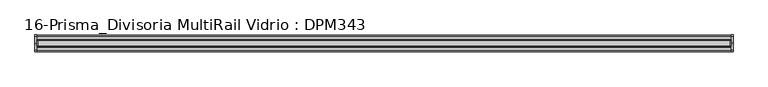
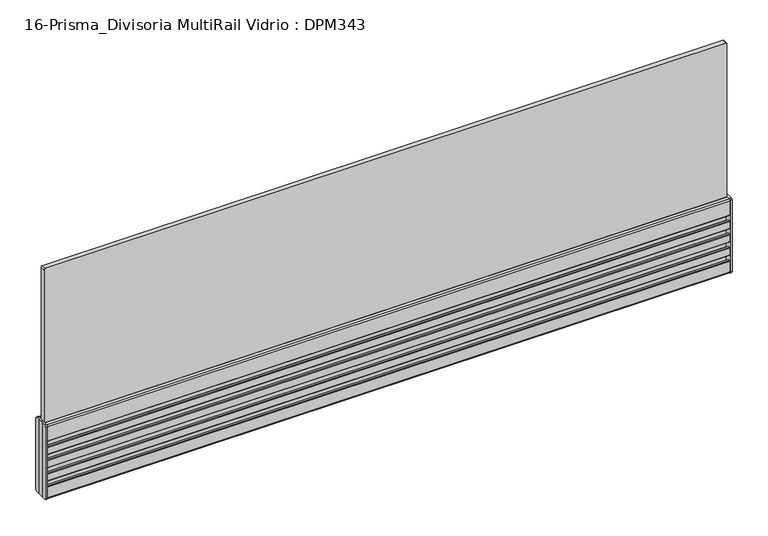
"""IFC4 building model written with IfcOpenShell, lengths in millimetres: furniture geometry, 16-Prisma_Divisoria MultiRail Vidrio : DPM343."""

from ifc_helpers import new_model, si_unit, point, frame, frame_2d, origin, place, context, project, spatial, polyline, circle_curve, trimmed, segment, composite_curve, outline, extrude, source, transform, mapped, element, save
from ifc_brep_helpers import plane_surface, cylinder_surface, revolved_surface, advanced_brep


def furniture_16_prisma_divisoria_multirail_vidrio_dpm343_2ce1b810(model_context):
    return source(origin(), model_context, "Body", "SolidModel", [
        advanced_brep(
        [(-547.5, -11.25, 125.5), (-547.5, -13.25, 123.5), (-547.5, -13.25, 2.0), (-547.5, -11.25, 0.0), (-547.5, 0.0, 0.0), (-547.5, 11.25, 0.0), (-547.5, 13.25, 2.0), (-547.5, 13.25, 123.5), (-547.5, 11.25, 125.5), (-547.5, 0.0, 125.5), (-550.5, 11.25, 125.5), (-550.5, 13.25, 123.5), (-550.5, 13.25, 2.0), (-550.5, 11.25, 0.0), (-550.5, 5.25, 0.0), (-550.5, 5.25, 125.5), (-550.5, -11.25, 0.0), (-550.5, -13.25, 2.0), (-550.5, -13.25, 123.5), (-550.5, -11.25, 125.5), (-550.5, -5.25, 125.5), (-550.5, -5.25, 0.0), (-550.5, -3.75, 125.5), (-550.5, 0.0, 125.5), (-550.5, 3.75, 125.5), (-550.5, 3.75, 0.0), (-550.5, 0.0, 0.0), (-550.5, -3.75, 0.0)],
        [
            (0, 1, circle_curve(frame((-547.5, -11.25, 123.5), z_axis=(1.0, 0.0, 0.0), x_axis=(0.0, 1.0, 0.0)), 2.0)),
            (1, 2),
            (2, 3, circle_curve(frame((-547.5, -11.25, 2.0), z_axis=(1.0, 0.0, 0.0), x_axis=(0.0, 1.0, 0.0)), 2.0)),
            (3, 4),
            (4, 5),
            (5, 6, circle_curve(frame((-547.5, 11.25, 2.0), z_axis=(1.0, 0.0, 0.0), x_axis=(0.0, -1.0, 0.0)), 2.0)),
            (6, 7),
            (7, 8, circle_curve(frame((-547.5, 11.25, 123.5), z_axis=(1.0, 0.0, 0.0), x_axis=(0.0, -1.0, 0.0)), 2.0)),
            (8, 9),
            (9, 0),
            (10, 11, circle_curve(frame((-550.5, 11.25, 123.5), z_axis=(-1.0, 0.0, 0.0), x_axis=(0.0, -1.0, 0.0)), 2.0)),
            (11, 12),
            (12, 13, circle_curve(frame((-550.5, 11.25, 2.0), z_axis=(-1.0, 0.0, 0.0), x_axis=(0.0, -1.0, 0.0)), 2.0)),
            (13, 14),
            (14, 15),
            (15, 10),
            (16, 17, circle_curve(frame((-550.5, -11.25, 2.0), z_axis=(-1.0, 0.0, 0.0), x_axis=(0.0, 1.0, 0.0)), 2.0)),
            (17, 18),
            (18, 19, circle_curve(frame((-550.5, -11.25, 123.5), z_axis=(-1.0, 0.0, 0.0), x_axis=(0.0, 1.0, 0.0)), 2.0)),
            (19, 20),
            (20, 21),
            (21, 16),
            (22, 23),
            (23, 24),
            (24, 25),
            (25, 26),
            (26, 27),
            (27, 22),
            (0, 19),
            (18, 1),
            (17, 2),
            (16, 3),
            (21, 27, circle_curve(frame((-551.1614378, -4.5, 0.0), z_axis=(0.0, 0.0, 1.0), x_axis=(0.0, 1.0, 0.0)), 1.0)),
            (26, 4),
            (25, 14, circle_curve(frame((-551.1614378, 4.5, 0.0), z_axis=(0.0, 0.0, 1.0), x_axis=(0.0, 1.0, 0.0)), 1.0)),
            (13, 5),
            (12, 6),
            (11, 7),
            (10, 8),
            (15, 24, circle_curve(frame((-551.1614378, 4.5, 125.5), z_axis=(0.0, 0.0, -1.0), x_axis=(0.0, 1.0, 0.0)), 1.0)),
            (23, 9),
            (22, 20, circle_curve(frame((-551.1614378, -4.5, 125.5), z_axis=(0.0, 0.0, -1.0), x_axis=(0.0, 1.0, 0.0)), 1.0)),
        ],
        [
            plane_surface(frame((-547.5, -9.25, 123.5), z_axis=(1.0, 0.0, 0.0), x_axis=(0.0, 0.0, 1.0))),
            plane_surface(frame((-550.5, -9.25, 123.5), z_axis=(-1.0, 0.0, 0.0), x_axis=(0.0, 0.0, -1.0))),
            cylinder_surface(frame((-550.5, -11.25, 123.5), z_axis=(1.0, 0.0, 0.0), x_axis=(0.0, 1.0, 0.0)), 2.0),
            plane_surface(frame((-547.5, -13.25, 123.5), z_axis=(0.0, -1.0, 0.0), x_axis=(-1.0, 0.0, 0.0))),
            cylinder_surface(frame((-550.5, -11.25, 2.0), z_axis=(1.0, 0.0, 0.0), x_axis=(0.0, 1.0, 0.0)), 2.0),
            plane_surface(frame((-547.5, -11.25, 0.0), z_axis=(0.0, 0.0, -1.0), x_axis=(-1.0, 0.0, 0.0))),
            plane_surface(frame((-547.5, 0.0, 0.0), z_axis=(0.0, 0.0, -1.0), x_axis=(-1.0, 0.0, 0.0))),
            cylinder_surface(frame((-550.5, 11.25, 2.0), z_axis=(1.0, 0.0, 0.0), x_axis=(0.0, -1.0, 0.0)), 2.0),
            plane_surface(frame((-547.5, 13.25, 2.0), z_axis=(0.0, 1.0, -6.587285038427298e-12), x_axis=(-1.0, 0.0, 0.0))),
            cylinder_surface(frame((-550.5, 11.25, 123.5), z_axis=(1.0, 0.0, 0.0), x_axis=(0.0, -1.0, 0.0)), 2.0),
            plane_surface(frame((-547.5, 11.25, 125.5), z_axis=(0.0, 0.0, 1.0), x_axis=(-1.0, 0.0, 0.0))),
            plane_surface(frame((-547.5, 0.0, 125.5), z_axis=(0.0, 0.0, 1.0), x_axis=(-1.0, 0.0, 0.0))),
            revolved_surface(polyline([(-551.1614378, 5.5, 125.5), (-551.1614378, 5.5, 0.0)]), (-551.1614378, 4.5, -26.25), (0.0, 0.0, 1.0)),
            revolved_surface(polyline([(-551.1614378, -3.5, 125.5), (-551.1614378, -3.5, 0.0)]), (-551.1614378, -4.5, 73.75), (0.0, 0.0, 1.0)),
        ],
        [
            (0, [[1, 2, 3, 4, 5, 6, 7, 8, 9, 10]]),
            (1, [[11, 12, 13, 14, 15, 16]]),
            (1, [[17, 18, 19, 20, 21, 22]]),
            (1, [[23, 24, 25, 26, 27, 28]]),
            (2, [[-1, 29, -19, 30]]),
            (3, [[-2, -30, -18, 31]]),
            (4, [[-3, -31, -17, 32]]),
            (5, [[-4, -32, -22, 33, -27, 34]]),
            (6, [[-5, -34, -26, 35, -14, 36]]),
            (7, [[-6, -36, -13, 37]]),
            (8, [[-7, -37, -12, 38]]),
            (9, [[-8, -38, -11, 39]]),
            (10, [[-9, -39, -16, 40, -24, 41]]),
            (11, [[-10, -41, -23, 42, -20, -29]]),
            (12, [[-15, -35, -25, -40]]),
            (13, [[-28, -33, -21, -42]]),
        ],
    ),
        advanced_brep(
        [(547.5, 11.25, 125.5), (547.5, 13.25, 123.5), (547.5, 13.25, 2.0), (547.5, 11.25, 0.0), (547.5, 0.0, 0.0), (547.5, -11.25, 0.0), (547.5, -13.25, 2.0), (547.5, -13.25, 123.5), (547.5, -11.25, 125.5), (547.5, 0.0, 125.5), (550.5, -11.25, 125.5), (550.5, -13.25, 123.5), (550.5, -13.25, 2.0), (550.5, -11.25, 0.0), (550.5, -5.25, 0.0), (550.5, -5.25, 125.5), (550.5, 11.25, 0.0), (550.5, 13.25, 2.0), (550.5, 13.25, 123.5), (550.5, 11.25, 125.5), (550.5, 5.25, 125.5), (550.5, 5.25, 0.0), (550.5, 3.75, 125.5), (550.5, 0.0, 125.5), (550.5, -3.75, 125.5), (550.5, -3.75, 0.0), (550.5, 0.0, 0.0), (550.5, 3.75, 0.0)],
        [
            (0, 1, circle_curve(frame((547.5, 11.25, 123.5), z_axis=(-1.0, 0.0, 0.0), x_axis=(0.0, -1.0000000000000004, 0.0)), 2.0)),
            (1, 2),
            (2, 3, circle_curve(frame((547.5, 11.25, 2.0), z_axis=(-1.0, 0.0, 0.0), x_axis=(0.0, -1.0000000000000004, 0.0)), 2.0)),
            (3, 4),
            (4, 5),
            (5, 6, circle_curve(frame((547.5, -11.25, 2.0), z_axis=(-1.0, 0.0, 0.0), x_axis=(0.0, 1.0000000000000004, 0.0)), 2.0)),
            (6, 7),
            (7, 8, circle_curve(frame((547.5, -11.25, 123.5), z_axis=(-1.0, 0.0, 0.0), x_axis=(0.0, 1.0000000000000004, 0.0)), 2.0)),
            (8, 9),
            (9, 0),
            (10, 11, circle_curve(frame((550.5, -11.25, 123.5), z_axis=(1.0, 0.0, 0.0), x_axis=(0.0, 1.0000000000000004, 0.0)), 2.0)),
            (11, 12),
            (12, 13, circle_curve(frame((550.5, -11.25, 2.0), z_axis=(1.0, 0.0, 0.0), x_axis=(0.0, 1.0000000000000004, 0.0)), 2.0)),
            (13, 14),
            (14, 15),
            (15, 10),
            (16, 17, circle_curve(frame((550.5, 11.25, 2.0), z_axis=(1.0, 0.0, 0.0), x_axis=(0.0, -1.0000000000000004, 0.0)), 2.0)),
            (17, 18),
            (18, 19, circle_curve(frame((550.5, 11.25, 123.5), z_axis=(1.0, 0.0, 0.0), x_axis=(0.0, -1.0000000000000004, 0.0)), 2.0)),
            (19, 20),
            (20, 21),
            (21, 16),
            (22, 23),
            (23, 24),
            (24, 25),
            (25, 26),
            (26, 27),
            (27, 22),
            (0, 19),
            (18, 1),
            (17, 2),
            (16, 3),
            (21, 27, circle_curve(frame((551.1614378, 4.5, 0.0), z_axis=(0.0, 0.0, 1.0), x_axis=(0.0, -1.0000000000000004, 0.0)), 1.0)),
            (26, 4),
            (25, 14, circle_curve(frame((551.1614378, -4.5, 0.0), z_axis=(0.0, 0.0, 1.0), x_axis=(0.0, -1.0000000000000004, 0.0)), 1.0)),
            (13, 5),
            (12, 6),
            (11, 7),
            (10, 8),
            (15, 24, circle_curve(frame((551.1614378, -4.5, 125.5), z_axis=(0.0, 0.0, -1.0), x_axis=(0.0, -1.0000000000000004, 0.0)), 1.0)),
            (23, 9),
            (22, 20, circle_curve(frame((551.1614378, 4.5, 125.5), z_axis=(0.0, 0.0, -1.0), x_axis=(0.0, -1.0000000000000004, 0.0)), 1.0)),
        ],
        [
            plane_surface(frame((547.5, 9.25, 123.5), z_axis=(-1.0, 0.0, 0.0), x_axis=(0.0, 0.0, 1.0))),
            plane_surface(frame((550.5, 9.25, 123.5), z_axis=(1.0, 0.0, 0.0), x_axis=(0.0, 0.0, -1.0))),
            cylinder_surface(frame((550.5, 11.25, 123.5), z_axis=(-1.0000000000000004, 0.0, 0.0), x_axis=(0.0, -1.0000000000000004, 0.0)), 2.0),
            plane_surface(frame((547.5, 13.25, 123.5), z_axis=(0.0, 1.0, 0.0), x_axis=(1.0, 0.0, 0.0))),
            cylinder_surface(frame((550.5, 11.25, 2.0), z_axis=(-1.0000000000000004, 0.0, 0.0), x_axis=(0.0, -1.0000000000000004, 0.0)), 2.0),
            plane_surface(frame((547.5, 11.25, 0.0), z_axis=(0.0, 0.0, -1.0), x_axis=(1.0, 0.0, 0.0))),
            plane_surface(frame((547.5, 0.0, 0.0), z_axis=(0.0, 0.0, -1.0), x_axis=(1.0, 0.0, 0.0))),
            cylinder_surface(frame((550.5, -11.25, 2.0), z_axis=(-1.0000000000000004, 0.0, 0.0), x_axis=(0.0, 1.0000000000000004, 0.0)), 2.0),
            plane_surface(frame((547.5, -13.25, 2.0), z_axis=(0.0, -1.0, -6.587285038427301e-12), x_axis=(1.0, 0.0, 0.0))),
            cylinder_surface(frame((550.5, -11.25, 123.5), z_axis=(-1.0000000000000004, 0.0, 0.0), x_axis=(0.0, 1.0000000000000004, 0.0)), 2.0),
            plane_surface(frame((547.5, -11.25, 125.5), z_axis=(0.0, 0.0, 1.0), x_axis=(1.0, 0.0, 0.0))),
            plane_surface(frame((547.5, 0.0, 125.5), z_axis=(0.0, 0.0, 1.0), x_axis=(1.0, 0.0, 0.0))),
            revolved_surface(polyline([(551.1614378, -5.5, 125.5), (551.1614378, -5.5, 0.0)]), (551.1614378, -4.5, -26.25), (0.0, 0.0, 1.0)),
            revolved_surface(polyline([(551.1614378, 3.4999999999999996, 125.5), (551.1614378, 3.4999999999999996, 0.0)]), (551.1614378, 4.5, 73.75), (0.0, 0.0, 1.0)),
        ],
        [
            (0, [[1, 2, 3, 4, 5, 6, 7, 8, 9, 10]]),
            (1, [[11, 12, 13, 14, 15, 16]]),
            (1, [[17, 18, 19, 20, 21, 22]]),
            (1, [[23, 24, 25, 26, 27, 28]]),
            (2, [[-1, 29, -19, 30]]),
            (3, [[-2, -30, -18, 31]]),
            (4, [[-3, -31, -17, 32]]),
            (5, [[-4, -32, -22, 33, -27, 34]]),
            (6, [[-5, -34, -26, 35, -14, 36]]),
            (7, [[-6, -36, -13, 37]]),
            (8, [[-7, -37, -12, 38]]),
            (9, [[-8, -38, -11, 39]]),
            (10, [[-9, -39, -16, 40, -24, 41]]),
            (11, [[-10, -41, -23, 42, -20, -29]]),
            (12, [[-15, -35, -25, -40]]),
            (13, [[-28, -33, -21, -42]]),
        ],
    ),
        extrude(outline(composite_curve([segment(trimmed(circle_curve(frame_2d((-12.0, 20.25)), 1.0), [point((-13.0, 20.25))], [point((-12.0, 21.25))], False, "CARTESIAN"), True, "CONTINUOUS"), segment(polyline([(-12.0, 21.25), (-9.2004126, 21.25), (-9.2004126, 15.25), (-1.7500068, 15.25), (-1.7500068, 36.25), (-9.2004126, 36.25), (-9.2004126, 30.25), (-12.0, 30.25)]), True, "CONTINUOUS"), segment(trimmed(circle_curve(frame_2d((-12.0, 31.25)), 1.0), [point((-12.0, 30.25))], [point((-13.0, 31.25))], False, "CARTESIAN"), True, "CONTINUOUS"), segment(polyline([(-13.0, 31.25), (-13.0, 42.75)]), True, "CONTINUOUS"), segment(trimmed(circle_curve(frame_2d((-12.0, 42.75)), 1.0), [point((-13.0, 42.75))], [point((-12.0, 43.75))], False, "CARTESIAN"), True, "CONTINUOUS"), segment(polyline([(-12.0, 43.75), (-9.2004126, 43.75), (-9.2004126, 37.75), (-1.7500068, 37.75), (-1.7500068, 58.75), (-9.2004126, 58.75), (-9.2004126, 52.75), (-12.0, 52.75)]), True, "CONTINUOUS"), segment(trimmed(circle_curve(frame_2d((-12.0, 53.75)), 1.0), [point((-12.0, 52.75))], [point((-13.0, 53.75))], False, "CARTESIAN"), True, "CONTINUOUS"), segment(polyline([(-13.0, 53.75), (-13.0, 65.25)]), True, "CONTINUOUS"), segment(trimmed(circle_curve(frame_2d((-12.0, 65.25)), 1.0), [point((-13.0, 65.25))], [point((-12.0, 66.25))], False, "CARTESIAN"), True, "CONTINUOUS"), segment(polyline([(-12.0, 66.25), (-9.2004126, 66.25), (-9.2004126, 60.25), (-1.7500068, 60.25), (-1.7500068, 81.25), (-9.2004126, 81.25), (-9.2004126, 75.25), (-12.0, 75.25)]), True, "CONTINUOUS"), segment(trimmed(circle_curve(frame_2d((-12.0, 76.25)), 1.0), [point((-12.0, 75.25))], [point((-13.0, 76.25))], False, "CARTESIAN"), True, "CONTINUOUS"), segment(polyline([(-13.0, 76.25), (-13.0, 87.75)]), True, "CONTINUOUS"), segment(trimmed(circle_curve(frame_2d((-12.0, 87.75)), 1.0), [point((-13.0, 87.75))], [point((-12.0, 88.75))], False, "CARTESIAN"), True, "CONTINUOUS"), segment(polyline([(-12.0, 88.75), (-9.2004126, 88.75), (-9.2004126, 82.75), (-1.7500068, 82.75), (-1.7500068, 103.75), (-9.2004126, 103.75), (-9.2004126, 97.75), (-12.0, 97.75)]), True, "CONTINUOUS"), segment(trimmed(circle_curve(frame_2d((-12.0, 98.75)), 1.0), [point((-12.0, 97.75))], [point((-13.0, 98.75))], False, "CARTESIAN"), True, "CONTINUOUS"), segment(polyline([(-13.0, 98.75), (-13.0, 123.25)]), True, "CONTINUOUS"), segment(trimmed(circle_curve(frame_2d((-11.0, 123.25)), 2.0), [point((-13.0, 123.25))], [point((-11.0, 125.25))], False, "CARTESIAN"), True, "CONTINUOUS"), segment(polyline([(-11.0, 125.25), (-6.0, 125.25)]), True, "CONTINUOUS"), segment(trimmed(circle_curve(frame_2d((-6.0, 124.75)), 0.5), [point((-6.0, 125.25))], [point((-5.5, 124.75))], False, "CARTESIAN"), True, "CONTINUOUS"), segment(polyline([(-5.5, 124.75), (-5.5, 105.25), (0.0, 105.25), (5.5, 105.25), (5.5, 124.75)]), True, "CONTINUOUS"), segment(trimmed(circle_curve(frame_2d((6.0, 124.75)), 0.5), [point((5.5, 124.75))], [point((6.0, 125.25))], False, "CARTESIAN"), True, "CONTINUOUS"), segment(polyline([(6.0, 125.25), (11.0, 125.25)]), True, "CONTINUOUS"), segment(trimmed(circle_curve(frame_2d((11.0, 123.25)), 2.0), [point((11.0, 125.25))], [point((13.0, 123.25))], False, "CARTESIAN"), True, "CONTINUOUS"), segment(polyline([(13.0, 123.25), (13.0, 98.75)]), True, "CONTINUOUS"), segment(trimmed(circle_curve(frame_2d((12.0, 98.75)), 1.0), [point((13.0, 98.75))], [point((12.0, 97.75))], False, "CARTESIAN"), True, "CONTINUOUS"), segment(polyline([(12.0, 97.75), (9.2004126, 97.75), (9.2004126, 103.75), (1.7500068, 103.75), (1.7500068, 82.75), (9.2004126, 82.75), (9.2004126, 88.75), (12.0, 88.75)]), True, "CONTINUOUS"), segment(trimmed(circle_curve(frame_2d((12.0, 87.75)), 1.0), [point((12.0, 88.75))], [point((13.0, 87.75))], False, "CARTESIAN"), True, "CONTINUOUS"), segment(polyline([(13.0, 87.75), (13.0, 76.25)]), True, "CONTINUOUS"), segment(trimmed(circle_curve(frame_2d((12.0, 76.25)), 1.0), [point((13.0, 76.25))], [point((12.0, 75.25))], False, "CARTESIAN"), True, "CONTINUOUS"), segment(polyline([(12.0, 75.25), (9.2004126, 75.25), (9.2004126, 81.25), (1.7500068, 81.25), (1.7500068, 60.25), (9.2004126, 60.25), (9.2004126, 66.25), (12.0, 66.25)]), True, "CONTINUOUS"), segment(trimmed(circle_curve(frame_2d((12.0, 65.25)), 1.0), [point((12.0, 66.25))], [point((13.0, 65.25))], False, "CARTESIAN"), True, "CONTINUOUS"), segment(polyline([(13.0, 65.25), (13.0, 53.75)]), True, "CONTINUOUS"), segment(trimmed(circle_curve(frame_2d((12.0, 53.75)), 1.0), [point((13.0, 53.75))], [point((12.0, 52.75))], False, "CARTESIAN"), True, "CONTINUOUS"), segment(polyline([(12.0, 52.75), (9.2004126, 52.75), (9.2004126, 58.75), (1.7500068, 58.75), (1.7500068, 37.75), (9.2004126, 37.75), (9.2004126, 43.75), (12.0, 43.75)]), True, "CONTINUOUS"), segment(trimmed(circle_curve(frame_2d((12.0, 42.75)), 1.0), [point((12.0, 43.75))], [point((13.0, 42.75))], False, "CARTESIAN"), True, "CONTINUOUS"), segment(polyline([(13.0, 42.75), (13.0, 31.25)]), True, "CONTINUOUS"), segment(trimmed(circle_curve(frame_2d((12.0, 31.25)), 1.0), [point((13.0, 31.25))], [point((12.0, 30.25))], False, "CARTESIAN"), True, "CONTINUOUS"), segment(polyline([(12.0, 30.25), (9.2004126, 30.25), (9.2004126, 36.25), (1.7500068, 36.25), (1.7500068, 15.25), (9.2004126, 15.25), (9.2004126, 21.25), (12.0, 21.25)]), True, "CONTINUOUS"), segment(trimmed(circle_curve(frame_2d((12.0, 20.25)), 1.0), [point((12.0, 21.25))], [point((13.0, 20.25))], False, "CARTESIAN"), True, "CONTINUOUS"), segment(polyline([(13.0, 20.25), (13.0, 2.25)]), True, "CONTINUOUS"), segment(trimmed(circle_curve(frame_2d((11.0, 2.25)), 2.0), [point((13.0, 2.25))], [point((11.0, 0.25))], False, "CARTESIAN"), True, "CONTINUOUS"), segment(polyline([(11.0, 0.25), (0.0, 0.25), (-11.0, 0.25)]), True, "CONTINUOUS"), segment(trimmed(circle_curve(frame_2d((-11.0, 2.25)), 2.0), [point((-11.0, 0.25))], [point((-13.0, 2.25))], False, "CARTESIAN"), True, "CONTINUOUS"), segment(polyline([(-13.0, 2.25), (-13.0, 20.25)]), True, "CONTINUOUS")], self_intersect=False)), frame((-547.5, 0.0, 0.0), z_axis=(1.0, 0.0, 0.0), x_axis=(0.0, 1.0, 0.0)), (0.0, 0.0, 1.0), 1095.0),
        extrude(outline(composite_curve([segment(polyline([(385.25, 545.5), (385.25, -545.5)]), True, "CONTINUOUS"), segment(trimmed(circle_curve(frame_2d((383.25, -545.5)), 2.0), [point((385.25, -545.5))], [point((383.25, -547.5))], False, "CARTESIAN"), True, "CONTINUOUS"), segment(polyline([(383.25, -547.5), (107.25, -547.5)]), True, "CONTINUOUS"), segment(trimmed(circle_curve(frame_2d((107.25, -545.5)), 2.0), [point((107.25, -547.5))], [point((105.25, -545.5))], False, "CARTESIAN"), True, "CONTINUOUS"), segment(polyline([(105.25, -545.5), (105.25, 545.5)]), True, "CONTINUOUS"), segment(trimmed(circle_curve(frame_2d((107.25, 545.5)), 2.0), [point((105.25, 545.5))], [point((107.25, 547.5))], False, "CARTESIAN"), True, "CONTINUOUS"), segment(polyline([(107.25, 547.5), (383.25, 547.5)]), True, "CONTINUOUS"), segment(trimmed(circle_curve(frame_2d((383.25, 545.5)), 2.0), [point((383.25, 547.5))], [point((385.25, 545.5))], False, "CARTESIAN"), True, "CONTINUOUS")], self_intersect=False)), frame((0.0, -4.0, 0.0), z_axis=(0.0, 1.0, 0.0), x_axis=(0.0, 0.0, 1.0)), (0.0, 0.0, 1.0), 8.0),
    ])


if __name__ == "__main__":
    model = new_model("IFC4")
    model_context = context("Model", 3, world=origin())
    ifc_project = project(units=[si_unit("LENGTHUNIT", "METRE", prefix="MILLI")], contexts=[model_context])
    site = spatial("IfcSite", under=ifc_project)
    building = spatial("IfcBuilding", under=site)
    placement = place(None, origin())
    furniture_16_prisma_divisoria_multirail_vidrio_dpm343_shape = furniture_16_prisma_divisoria_multirail_vidrio_dpm343_2ce1b810(model_context)
    element("IfcFurniture", 1, ObjectType="16-Prisma_Divisoria MultiRail Vidrio : DPM343", at=placement, inside=building, context=model_context, shape_type="MappedRepresentation", body=[
        mapped(furniture_16_prisma_divisoria_multirail_vidrio_dpm343_shape, transform((0.0, 0.0, 0.0), x_axis=(1.0, 0.0, 0.0), y_axis=(0.0, 1.0, 0.0), z_axis=(0.0, 0.0, 1.0))),
    ])
    save(model, "model.ifc")
